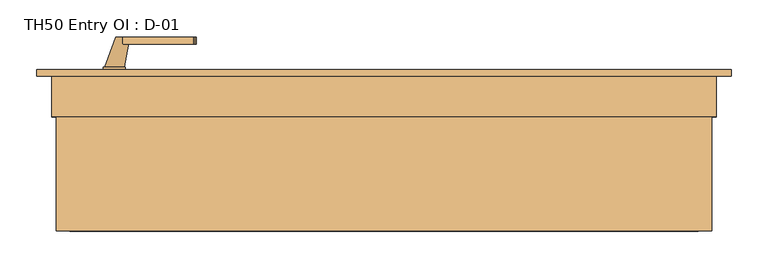
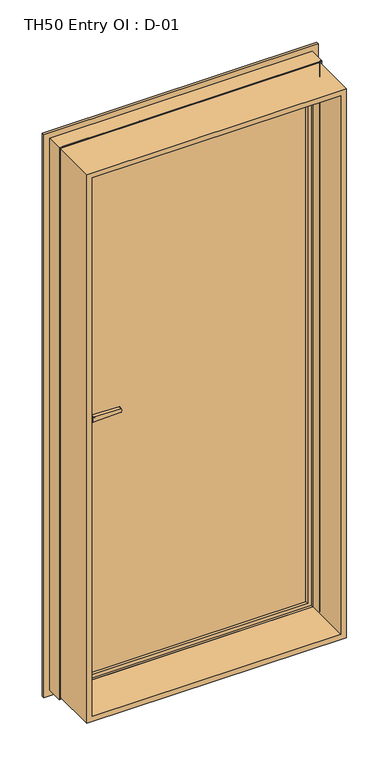
"""IFC4 building model written with IfcOpenShell, lengths in millimetres: door geometry, TH50 Entry OI : D-01."""

from ifc_helpers import new_model, si_unit, point, frame, frame_2d, origin, place, context, project, spatial, polyline, circle_curve, ellipse_curve, trimmed, segment, composite_curve, outline, extrude, source, transform, mapped, element, save
from ifc_brep_helpers import plane_surface, cylinder_surface, revolved_surface, spline_surface, advanced_brep


def th50_entry_oi_d_01_c9c91dcb(model_context):
    return source(origin(), model_context, "Body", "SolidModel", [
        extrude(outline(polyline([(1993.8, 443.8), (1993.8, -443.8), (6.2, -443.8), (6.2, 443.8), (1993.8, 443.8)]), holes=[polyline([(24.7, 425.3), (24.7, -425.3), (1975.3, -425.3), (1975.3, 425.3), (24.7, 425.3)])]), frame((0.0, -100.0, 0.0), z_axis=(0.0, 1.0, 0.0), x_axis=(0.0, 0.0, 1.0)), (0.0, 0.0, 1.0), 165.9999813),
        extrude(outline(composite_curve([segment(polyline([(895.7, -360.0), (908.3261365, -360.0)]), True, "CONTINUOUS"), segment(trimmed(circle_curve(frame_2d((915.2, -365.0)), 8.5), [point((908.3261365, -360.0))], [point((908.3261365, -370.0))], False, "CARTESIAN"), True, "CONTINUOUS"), segment(polyline([(908.3261365, -370.0), (895.7, -370.0)]), True, "CONTINUOUS"), segment(trimmed(circle_curve(frame_2d((895.7, -365.0)), 5.0), [point((895.7, -370.0))], [point((895.7, -360.0))], False, "CARTESIAN"), True, "CONTINUOUS")], self_intersect=False)), frame((0.0, 112.2000063, 0.0), z_axis=(0.0, 1.0, 0.0), x_axis=(0.0, 0.0, 1.0)), (0.0, 0.0, 1.0), 11.0),
        extrude(outline(composite_curve([segment(trimmed(circle_curve(frame_2d((956.1155661, -365.0)), 97.2636214), [point((860.0, -379.9))], [point((860.0, -350.1))], False, "CARTESIAN"), True, "CONTINUOUS"), segment(polyline([(860.0, -350.1), (1078.5, -350.1)]), True, "CONTINUOUS"), segment(trimmed(circle_curve(frame_2d((982.3844339, -365.0)), 97.2636214), [point((1078.5, -350.1))], [point((1078.5, -379.9))], False, "CARTESIAN"), True, "CONTINUOUS"), segment(polyline([(1078.5, -379.9), (860.0, -379.9)]), True, "CONTINUOUS")], self_intersect=False), holes=[composite_curve([segment(polyline([(895.7, -370.0), (908.3261365, -370.0)]), True, "CONTINUOUS"), segment(trimmed(circle_curve(frame_2d((915.2, -365.0)), 8.5), [point((908.3261365, -370.0))], [point((908.3261365, -360.0))], True, "CARTESIAN"), True, "CONTINUOUS"), segment(polyline([(908.3261365, -360.0), (895.7, -360.0)]), True, "CONTINUOUS"), segment(trimmed(circle_curve(frame_2d((895.7, -365.0)), 5.0), [point((895.7, -360.0))], [point((895.7, -370.0))], True, "CARTESIAN"), True, "CONTINUOUS")], self_intersect=False)]), frame((0.0, 112.2000063, 0.0), z_axis=(0.0, 1.0, 0.0), x_axis=(0.0, 0.0, 1.0)), (0.0, 0.0, 1.0), 10.0),
        extrude(outline(composite_curve([segment(polyline([(1009.5, -354.0), (990.5, -354.0), (993.0308731, -257.3498556)]), True, "CONTINUOUS"), segment(trimmed(circle_curve(frame_2d((995.0301877, -257.4022095)), 2.0), [point((993.0308731, -257.3498556))], [point((994.5125497, -255.4703579))], False, "CARTESIAN"), True, "CONTINUOUS"), segment(polyline([(994.5125497, -255.4703579), (1000.0, -254.0), (1005.4874503, -255.4703579)]), True, "CONTINUOUS"), segment(trimmed(circle_curve(frame_2d((1004.9698123, -257.4022095)), 2.0), [point((1005.4874503, -255.4703579))], [point((1006.9691269, -257.3498556))], False, "CARTESIAN"), True, "CONTINUOUS"), segment(polyline([(1006.9691269, -257.3498556), (1009.5, -354.0)]), True, "CONTINUOUS")], self_intersect=False)), frame((0.0, 153.2000063, 0.0), z_axis=(0.0, 1.0, 0.0), x_axis=(0.0, 0.0, 1.0)), (0.0, 0.0, 1.0), 10.0),
        advanced_brep(
        [(-363.5, 163.2000063, 1000.0), (-344.5, 163.2000063, 1000.0), (-378.4, 122.2000063, 1000.0), (-351.6, 122.2000063, 1000.0)],
        [
            (0, 1, circle_curve(frame((-354.0, 163.2000063, 1000.0), z_axis=(0.0, 1.0, 0.0), x_axis=(1.0, 0.0, 0.0)), 9.5)),
            (1, 0, circle_curve(frame((-354.0, 163.2000063, 1000.0), z_axis=(0.0, 1.0, 0.0), x_axis=(1.0, 0.0, 0.0)), 9.5)),
            (2, 3, circle_curve(frame((-365.0, 122.2000063, 1000.0), z_axis=(0.0, -1.0, 0.0), x_axis=(1.0, 0.0, 0.0)), 13.4)),
            (3, 2, circle_curve(frame((-365.0, 122.2000063, 1000.0), z_axis=(0.0, -1.0, 0.0), x_axis=(1.0, 0.0, 0.0)), 13.4)),
            (2, 0),
            (1, 3),
        ],
        [
            plane_surface(frame((-354.0, 163.2000063, 1000.0), z_axis=(0.0, 1.0, 0.0), x_axis=(0.0, 0.0, -1.0))),
            plane_surface(frame((-365.0, 122.2000063, 1000.0), z_axis=(0.0, -1.0, 0.0), x_axis=(0.0, 0.0, -1.0))),
            spline_surface(1, 2, [[(-378.4, 122.2000063, 1000.0), (-378.4, 122.2000063, 986.6), (-365.0, 122.2000063, 986.6), (-351.6, 122.2000063, 986.6), (-351.6, 122.2000063, 1000.0)], [(-363.5, 163.2000063, 1000.0), (-363.5, 163.2000063, 990.5), (-354.0, 163.2000063, 990.5), (-344.5, 163.2000063, 990.5), (-344.5, 163.2000063, 1000.0)]], [2, 2], [3, 2, 3], [0.0, 1.0], [0.0, 1.0, 2.0], weights=[[1.0, 0.7071067811865476, 1.0, 0.7071067811865476, 1.0], [1.0, 0.7071067811865476, 1.0, 0.7071067811865476, 1.0]]),
            spline_surface(1, 2, [[(-351.6, 122.2000063, 1000.0), (-351.6, 122.2000063, 1013.4), (-365.0, 122.2000063, 1013.4), (-378.4, 122.2000063, 1013.4), (-378.4, 122.2000063, 1000.0)], [(-344.5, 163.2000063, 1000.0), (-344.5, 163.2000063, 1009.5), (-354.0, 163.2000063, 1009.5), (-363.5, 163.2000063, 1009.5), (-363.5, 163.2000063, 1000.0)]], [2, 2], [3, 2, 3], [0.0, 1.0], [0.0, 1.0, 2.0], weights=[[1.0, 0.7071067811865476, 1.0, 0.7071067811865476, 1.0], [1.0, 0.7071067811865476, 1.0, 0.7071067811865476, 1.0]]),
        ],
        [
            (0, [[1, 2]]),
            (1, [[3, 4]]),
            (2, [[5, -2, 6, -3]]),
            (3, [[-6, -1, -5, -4]]),
        ],
    ),
        extrude(outline(composite_curve([segment(polyline([(895.7, -360.0), (908.3261365, -360.0)]), True, "CONTINUOUS"), segment(trimmed(circle_curve(frame_2d((915.2, -365.0)), 8.5), [point((908.3261365, -360.0))], [point((908.3261365, -370.0))], False, "CARTESIAN"), True, "CONTINUOUS"), segment(polyline([(908.3261365, -370.0), (895.7, -370.0)]), True, "CONTINUOUS"), segment(trimmed(circle_curve(frame_2d((895.7, -365.0)), 5.0), [point((895.7, -370.0))], [point((895.7, -360.0))], False, "CARTESIAN"), True, "CONTINUOUS")], self_intersect=False)), frame((0.0, 62.2000063, 0.0), z_axis=(0.0, 1.0, 0.0), x_axis=(0.0, 0.0, 1.0)), (0.0, 0.0, 1.0), 11.0),
        extrude(outline(composite_curve([segment(trimmed(circle_curve(frame_2d((956.1155661, -365.0)), 97.2636214), [point((860.0, -379.9))], [point((860.0, -350.1))], False, "CARTESIAN"), True, "CONTINUOUS"), segment(polyline([(860.0, -350.1), (1078.5, -350.1)]), True, "CONTINUOUS"), segment(trimmed(circle_curve(frame_2d((982.3844339, -365.0)), 97.2636214), [point((1078.5, -350.1))], [point((1078.5, -379.9))], False, "CARTESIAN"), True, "CONTINUOUS"), segment(polyline([(1078.5, -379.9), (860.0, -379.9)]), True, "CONTINUOUS")], self_intersect=False), holes=[composite_curve([segment(polyline([(895.7, -370.0), (908.3261365, -370.0)]), True, "CONTINUOUS"), segment(trimmed(circle_curve(frame_2d((915.2, -365.0)), 8.5), [point((908.3261365, -370.0))], [point((908.3261365, -360.0))], True, "CARTESIAN"), True, "CONTINUOUS"), segment(polyline([(908.3261365, -360.0), (895.7, -360.0)]), True, "CONTINUOUS"), segment(trimmed(circle_curve(frame_2d((895.7, -365.0)), 5.0), [point((895.7, -360.0))], [point((895.7, -370.0))], True, "CARTESIAN"), True, "CONTINUOUS")], self_intersect=False)]), frame((0.0, 63.2000063, 0.0), z_axis=(0.0, 1.0, 0.0), x_axis=(0.0, 0.0, 1.0)), (0.0, 0.0, 1.0), 10.0),
        extrude(outline(composite_curve([segment(polyline([(1009.5, -354.0), (990.5, -354.0), (993.0308731, -257.3498556)]), True, "CONTINUOUS"), segment(trimmed(circle_curve(frame_2d((995.0301877, -257.4022095)), 2.0), [point((993.0308731, -257.3498556))], [point((994.5125497, -255.4703579))], False, "CARTESIAN"), True, "CONTINUOUS"), segment(polyline([(994.5125497, -255.4703579), (1000.0, -254.0), (1005.4874503, -255.4703579)]), True, "CONTINUOUS"), segment(trimmed(circle_curve(frame_2d((1004.9698123, -257.4022095)), 2.0), [point((1005.4874503, -255.4703579))], [point((1006.9691269, -257.3498556))], False, "CARTESIAN"), True, "CONTINUOUS"), segment(polyline([(1006.9691269, -257.3498556), (1009.5, -354.0)]), True, "CONTINUOUS")], self_intersect=False)), frame((0.0, 22.2000063, 0.0), z_axis=(0.0, 1.0, 0.0), x_axis=(0.0, 0.0, 1.0)), (0.0, 0.0, 1.0), 10.0),
        advanced_brep(
        [(-363.5, 22.2000063, 1000.0), (-344.5, 22.2000063, 1000.0), (-378.4, 63.2000063, 1000.0), (-351.6, 63.2000063, 1000.0)],
        [
            (0, 1, circle_curve(frame((-354.0, 22.2000063, 1000.0), z_axis=(0.0, -1.0, 0.0), x_axis=(1.0, 0.0, 0.0)), 9.5)),
            (1, 0, circle_curve(frame((-354.0, 22.2000063, 1000.0), z_axis=(0.0, -1.0, 0.0), x_axis=(1.0, 0.0, 0.0)), 9.5)),
            (2, 3, circle_curve(frame((-365.0, 63.2000063, 1000.0), z_axis=(0.0, 1.0, 0.0), x_axis=(1.0, 0.0, 0.0)), 13.4)),
            (3, 2, circle_curve(frame((-365.0, 63.2000063, 1000.0), z_axis=(0.0, 1.0, 0.0), x_axis=(1.0, 0.0, 0.0)), 13.4)),
            (3, 1),
            (0, 2),
        ],
        [
            plane_surface(frame((-354.0, 22.2000063, 1000.0), z_axis=(0.0, -1.0, 0.0), x_axis=(0.0, 0.0, -1.0))),
            plane_surface(frame((-365.0, 63.2000063, 1000.0), z_axis=(0.0, 1.0, 0.0), x_axis=(0.0, 0.0, -1.0))),
            spline_surface(2, 1, [[(-378.4, 63.2000063, 1000.0), (-363.5, 22.2000063, 1000.0)], [(-378.4, 63.2000063, 986.6), (-363.5, 22.2000063, 990.5)], [(-365.0, 63.2000063, 986.6), (-354.0, 22.2000063, 990.5)], [(-351.6, 63.2000063, 986.6), (-344.5, 22.2000063, 990.5)], [(-351.6, 63.2000063, 1000.0), (-344.5, 22.2000063, 1000.0)]], [3, 2, 3], [2, 2], [0.0, 1.0, 2.0], [0.0, 1.0], weights=[[1.0, 1.0], [0.7071067811865476, 0.7071067811865476], [1.0, 1.0], [0.7071067811865476, 0.7071067811865476], [1.0, 1.0]]),
            spline_surface(2, 1, [[(-351.6, 63.2000063, 1000.0), (-344.5, 22.2000063, 1000.0)], [(-351.6, 63.2000063, 1013.4), (-344.5, 22.2000063, 1009.5)], [(-365.0, 63.2000063, 1013.4), (-354.0, 22.2000063, 1009.5)], [(-378.4, 63.2000063, 1013.4), (-363.5, 22.2000063, 1009.5)], [(-378.4, 63.2000063, 1000.0), (-363.5, 22.2000063, 1000.0)]], [3, 2, 3], [2, 2], [0.0, 1.0, 2.0], [0.0, 1.0], weights=[[1.0, 1.0], [0.7071067811865476, 0.7071067811865476], [1.0, 1.0], [0.7071067811865476, 0.7071067811865476], [1.0, 1.0]]),
        ],
        [
            (0, [[1, 2]]),
            (1, [[3, 4]]),
            (2, [[-4, 5, -1, 6]]),
            (3, [[-3, -6, -2, -5]]),
        ],
    ),
        extrude(outline(polyline([(404.0, 73.2000063), (-405.0, 73.2000063), (-405.0, 112.2000063), (404.0, 112.2000063), (404.0, 73.2000063)])), frame((0.0, 0.0, 45.0), z_axis=(0.0, 0.0, 1.0), x_axis=(1.0, 0.0, 0.0)), (0.0, 0.0, 1.0), 1910.0),
        advanced_brep(
        [(470.000038, 110.0, 2020.000038), (470.000038, 110.0, -20.000038), (470.000038, 118.9999375, -20.000038), (470.000038, 118.9999375, 2020.000038), (-470.000038, 118.9999375, 2020.000038), (-470.000038, 118.9999375, -20.000038), (390.0004584, 118.9999375, 1940.0004584), (-390.0004584, 118.9999375, 1940.0004584), (-390.0004584, 118.9999375, 59.9995416), (390.0004584, 118.9999375, 59.9995416), (-470.000038, 110.0, -20.000038), (-470.000038, 110.0, 2020.000038), (-450.0, 110.0, 2000.0), (450.0, 110.0, 2000.0), (450.0, 110.0, 0.0), (-450.0, 110.0, 0.0), (450.0, 54.8507969, 2000.0), (450.0, 54.8507969, 0.0), (-450.0, 54.8507969, 0.0), (445.0001465, 54.8506112, 1995.0001465), (445.0001465, 54.8506112, 4.9998535), (-445.0001465, 54.8506112, 4.9998535), (445.0001465, 56.5920405, 1995.0001465), (445.0001465, 56.5920405, 4.9998535), (-445.0001465, 56.5920405, 4.9998535), (443.8001794, 56.5908144, 1993.8001794), (443.8001794, 56.5908144, 6.1998206), (-443.8001794, 56.5908144, 6.1998206), (443.8001794, 65.9999813, 1993.8001794), (443.8001794, 65.9999813, 6.1998206), (-443.8001794, 65.9999813, 6.1998206), (-443.8001794, 65.9999813, 1993.8001794), (-424.2001794, 65.9999813, 1974.2001794), (424.2001794, 65.9999813, 1974.2001794), (424.2001794, 65.9999813, 25.7998206), (-424.2001794, 65.9999813, 25.7998206), (424.2001794, 61.9999728, 1974.2001794), (424.2001794, 61.9999728, 25.7998206), (-424.2001794, 61.9999728, 25.7998206), (-424.2001794, 61.9999728, 1974.2001794), (-422.6156704, 61.9999728, 1972.6156704), (422.6156704, 61.9999728, 1972.6156704), (422.6156704, 61.9999728, 27.3843296), (-422.6156704, 61.9999728, 27.3843296), (422.8755675, 68.9999299, 1972.8755675), (422.8755675, 68.9999299, 27.1244325), (-422.8755675, 68.9999299, 27.1244325), (-422.8755675, 68.9999299, 1972.8755675), (-410.0002274, 68.9999299, 1960.0002274), (410.0002274, 68.9999299, 1960.0002274), (410.0002274, 68.9999299, 39.9997726), (-410.0002274, 68.9999299, 39.9997726), (410.0002274, 115.4000063, 1960.0002274), (410.0002274, 115.4000063, 39.9997726), (-410.0002274, 115.4000063, 39.9997726), (-410.0002274, 115.4000063, 1960.0002274), (-390.0004584, 115.4000063, 1940.0004584), (390.0004584, 115.4000063, 1940.0004584), (390.0004584, 115.4000063, 59.9995416), (-390.0004584, 115.4000063, 59.9995416), (-450.0, 54.8507969, 2000.0), (-445.0001465, 54.8506112, 1995.0001465), (-445.0001465, 56.5920405, 1995.0001465), (-443.8001794, 56.5908144, 1993.8001794)],
        [
            (0, 1),
            (1, 2),
            (2, 3),
            (3, 0),
            (4, 3),
            (2, 5),
            (5, 4),
            (6, 7),
            (7, 8),
            (8, 9),
            (9, 6),
            (1, 10),
            (10, 5),
            (0, 11),
            (11, 10),
            (12, 13),
            (13, 14),
            (14, 15),
            (15, 12),
            (16, 17),
            (17, 14),
            (13, 16),
            (17, 18),
            (18, 15),
            (19, 20),
            (20, 17, ellipse_curve(frame((447.5001465, 52.8785929, 2.4998535), z_axis=(-0.7071067811865475, 0.0, -0.7071067811865475), x_axis=(0.7071067811865474, 0.0, -0.7071067811865476)), 4.5030781, 3.184157)),
            (16, 19, ellipse_curve(frame((447.5001465, 52.8785929, 1997.5001465), z_axis=(-0.7071067811865475, 0.0, 0.7071067811865475), x_axis=(-0.7071067811865474, 0.0, -0.7071067811865476)), 4.5030781, 3.184157)),
            (20, 21),
            (21, 18, ellipse_curve(frame((-447.5001465, 52.8785929, 2.4998535), z_axis=(-0.7071067811865475, 0.0, 0.7071067811865475), x_axis=(-0.7071067811865476, 0.0, -0.7071067811865474)), 4.5030781, 3.184157)),
            (22, 23),
            (23, 20),
            (19, 22),
            (23, 24),
            (24, 21),
            (25, 26),
            (26, 23, ellipse_curve(frame((444.4001534, 56.6007652, 5.5998466), z_axis=(0.7071067811865475, 0.0, 0.7071067811865475), x_axis=(-0.7071067811865474, 0.0, 0.7071067811865476)), 0.8486081, 0.6000566)),
            (22, 25, ellipse_curve(frame((444.4001534, 56.6007652, 1994.4001534), z_axis=(0.7071067811865475, 0.0, -0.7071067811865475), x_axis=(0.7071067811865474, 0.0, 0.7071067811865476)), 0.8486081, 0.6000566)),
            (26, 27),
            (27, 24, ellipse_curve(frame((-444.4001534, 56.6007652, 5.5998466), z_axis=(0.7071067811865475, 0.0, -0.7071067811865475), x_axis=(0.7071067811865476, 0.0, 0.7071067811865474)), 0.8486081, 0.6000566)),
            (28, 29),
            (29, 26),
            (25, 28),
            (29, 30),
            (30, 27),
            (28, 31),
            (31, 30),
            (32, 33),
            (33, 34),
            (34, 35),
            (35, 32),
            (36, 37),
            (37, 34),
            (33, 36),
            (37, 38),
            (38, 35),
            (36, 39),
            (39, 38),
            (40, 41),
            (41, 42),
            (42, 43),
            (43, 40),
            (44, 45),
            (45, 42),
            (41, 44),
            (45, 46),
            (46, 43),
            (44, 47),
            (47, 46),
            (48, 49),
            (49, 50),
            (50, 51),
            (51, 48),
            (52, 53),
            (53, 50),
            (49, 52),
            (53, 54),
            (54, 51),
            (52, 55),
            (55, 54),
            (56, 57),
            (57, 58),
            (58, 59),
            (59, 56),
            (9, 58),
            (57, 6),
            (8, 59),
            (11, 4),
            (18, 60),
            (60, 12),
            (21, 61),
            (61, 60, ellipse_curve(frame((-447.5001465, 52.8785929, 1997.5001465), z_axis=(0.7071067811865475, 0.0, 0.7071067811865475), x_axis=(-0.7071067811865474, 0.0, 0.7071067811865476)), 4.5030781, 3.184157)),
            (24, 62),
            (62, 61),
            (27, 63),
            (63, 62, ellipse_curve(frame((-444.4001534, 56.6007652, 1994.4001534), z_axis=(-0.7071067811865475, 0.0, -0.7071067811865475), x_axis=(0.7071067811865474, 0.0, -0.7071067811865476)), 0.8486081, 0.6000566)),
            (31, 63),
            (39, 32),
            (47, 40),
            (55, 48),
            (7, 56),
            (60, 16),
            (61, 19),
            (62, 22),
            (63, 25),
        ],
        [
            plane_surface(frame((470.000038, 118.9999375, 2020.000038), z_axis=(1.0, 0.0, 0.0), x_axis=(0.0, 0.0, -1.0))),
            plane_surface(frame((-390.0004584, 118.9999375, 59.9995416), z_axis=(0.0, 1.0, 0.0), x_axis=(0.0, 0.0, 1.0))),
            plane_surface(frame((470.000038, 118.9999375, -20.000038), z_axis=(0.0, 0.0, -1.0), x_axis=(-1.0, 0.0, 0.0))),
            plane_surface(frame((-470.000038, 110.0, -20.000038), z_axis=(0.0, -1.0, 0.0), x_axis=(0.0, 0.0, 1.0))),
            plane_surface(frame((450.0, 110.0, 2000.0), z_axis=(1.0, 0.0, 0.0), x_axis=(0.0, 0.0, -1.0))),
            plane_surface(frame((450.0, 110.0, 0.0), z_axis=(0.0, 0.0, -1.0), x_axis=(-1.0, 0.0, 0.0))),
            revolved_surface(polyline([(450.68430350000006, 52.8785929, -0.6843035607225829), (450.68430350000006, 52.8785929, 2000.6843035607226)]), (447.5001465, 52.8785929, 2000.0), (0.0, 0.0, -1.0)),
            revolved_surface(polyline([(-450.6843035607227, 52.8785929, -0.6843035), (450.68430356072264, 52.8785929, -0.6843035)]), (450.0, 52.8785929, 2.4998535), (-1.0, 0.0, 0.0)),
            plane_surface(frame((445.0001465, 54.8506112, 1995.0001465), z_axis=(-1.0, 0.0, 0.0), x_axis=(0.0, 0.0, -1.0))),
            plane_surface(frame((445.0001465, 54.8506112, 4.9998535), z_axis=(0.0, 0.0, 1.0), x_axis=(-1.0, 0.0, 0.0))),
            cylinder_surface(frame((444.4001534, 56.6007652, 2000.0), z_axis=(0.0, 0.0, 1.0), x_axis=(1.0, 0.0, 0.0)), 0.6000566),
            cylinder_surface(frame((450.0, 56.6007652, 5.5998466), z_axis=(1.0, 0.0, 0.0), x_axis=(0.0, 0.0, -1.0)), 0.6000566),
            plane_surface(frame((443.8001794, 56.5908144, 1993.8001794), z_axis=(-1.0, 0.0, 0.0), x_axis=(0.0, 0.0, -1.0))),
            plane_surface(frame((443.8001794, 56.5908144, 6.1998206), z_axis=(0.0, 0.0, 1.0), x_axis=(-1.0, 0.0, 0.0))),
            plane_surface(frame((-443.8001794, 65.9999813, 6.1998206), z_axis=(0.0, -1.0, 0.0), x_axis=(0.0, 0.0, 1.0))),
            plane_surface(frame((424.2001794, 65.9999813, 1974.2001794), z_axis=(1.0, 0.0, 0.0), x_axis=(0.0, 0.0, -1.0))),
            plane_surface(frame((424.2001794, 65.9999813, 25.7998206), z_axis=(0.0, 0.0, -1.0), x_axis=(-1.0, 0.0, 0.0))),
            plane_surface(frame((-424.2001794, 61.9999728, 25.7998206), z_axis=(0.0, -1.0, 0.0), x_axis=(0.0, 0.0, 1.0))),
            plane_surface(frame((422.6156704, 61.9999728, 1972.6156704), z_axis=(-0.9993114533203381, 0.03710282014609819, 0.0), x_axis=(0.0, 0.0, -1.0))),
            plane_surface(frame((422.6156704, 61.9999728, 27.3843296), z_axis=(0.0, 0.03710282014609207, 0.9993114533203383), x_axis=(-1.0, 0.0, 0.0))),
            plane_surface(frame((-422.8755675, 68.9999299, 27.1244325), z_axis=(0.0, -1.0, 0.0), x_axis=(0.0, 0.0, 1.0))),
            plane_surface(frame((410.0002274, 68.9999299, 1960.0002274), z_axis=(-1.0, 0.0, 0.0), x_axis=(0.0, 0.0, -1.0))),
            plane_surface(frame((410.0002274, 68.9999299, 39.9997726), z_axis=(0.0, 0.0, 1.0), x_axis=(-1.0, 0.0, 0.0))),
            plane_surface(frame((-410.0002274, 115.4000063, 39.9997726), z_axis=(0.0, -1.0, 0.0), x_axis=(0.0, 0.0, 1.0))),
            plane_surface(frame((390.0004584, 115.4000063, 1940.0004584), z_axis=(-1.0, 0.0, 0.0), x_axis=(0.0, 0.0, -1.0))),
            plane_surface(frame((390.0004584, 115.4000063, 59.9995416), z_axis=(0.0, 0.0, 1.0), x_axis=(-1.0, 0.0, 0.0))),
            plane_surface(frame((-470.000038, 118.9999375, -20.000038), z_axis=(-1.0, 0.0, 0.0), x_axis=(0.0, 0.0, 1.0))),
            plane_surface(frame((-450.0, 110.0, 0.0), z_axis=(-1.0, 0.0, 0.0), x_axis=(0.0, 0.0, 1.0))),
            revolved_surface(polyline([(-450.68430350000006, 52.8785929, 2000.6843035607226), (-450.68430350000006, 52.8785929, -0.6843035607226331)]), (-447.5001465, 52.8785929, 0.0), (0.0, 0.0, 1.0)),
            plane_surface(frame((-445.0001465, 54.8506112, 4.9998535), z_axis=(1.0, 0.0, 0.0), x_axis=(0.0, 0.0, 1.0))),
            cylinder_surface(frame((-444.4001534, 56.6007652, 0.0), z_axis=(0.0, 0.0, -1.0), x_axis=(-1.0, 0.0, 0.0)), 0.6000566),
            plane_surface(frame((-443.8001794, 56.5908144, 6.1998206), z_axis=(1.0, 0.0, 0.0), x_axis=(0.0, 0.0, 1.0))),
            plane_surface(frame((-424.2001794, 65.9999813, 25.7998206), z_axis=(-1.0, 0.0, 0.0), x_axis=(0.0, 0.0, 1.0))),
            plane_surface(frame((-422.6156704, 61.9999728, 27.3843296), z_axis=(0.9993114533203387, 0.03710282014608596, 0.0), x_axis=(0.0, 0.0, 1.0))),
            plane_surface(frame((-410.0002274, 68.9999299, 39.9997726), z_axis=(1.0, 0.0, 0.0), x_axis=(0.0, 0.0, 1.0))),
            plane_surface(frame((-390.0004584, 115.4000063, 59.9995416), z_axis=(1.0, 0.0, 0.0), x_axis=(0.0, 0.0, 1.0))),
            plane_surface(frame((-470.000038, 118.9999375, 2020.000038), z_axis=(0.0, 0.0, 1.0), x_axis=(1.0, 0.0, 0.0))),
            plane_surface(frame((-450.0, 110.0, 2000.0), z_axis=(0.0, 0.0, 1.0), x_axis=(1.0, 0.0, 0.0))),
            revolved_surface(polyline([(450.6843035607227, 52.8785929, 2000.6843035), (-450.68430356072264, 52.8785929, 2000.6843035)]), (-450.0, 52.8785929, 1997.5001465), (1.0, 0.0, 0.0)),
            plane_surface(frame((-445.0001465, 54.8506112, 1995.0001465), z_axis=(0.0, 0.0, -1.0), x_axis=(1.0, 0.0, 0.0))),
            cylinder_surface(frame((-450.0, 56.6007652, 1994.4001534), z_axis=(-1.0, 0.0, 0.0), x_axis=(0.0, 0.0, 1.0)), 0.6000566),
            plane_surface(frame((-443.8001794, 56.5908144, 1993.8001794), z_axis=(0.0, 0.0, -1.0), x_axis=(1.0, 0.0, 0.0))),
            plane_surface(frame((-424.2001794, 65.9999813, 1974.2001794), z_axis=(0.0, 0.0, 1.0), x_axis=(1.0, 0.0, 0.0))),
            plane_surface(frame((-422.6156704, 61.9999728, 1972.6156704), z_axis=(0.0, 0.03710282014609207, -0.9993114533203383), x_axis=(1.0, 0.0, 0.0))),
            plane_surface(frame((-410.0002274, 68.9999299, 1960.0002274), z_axis=(0.0, 0.0, -1.0), x_axis=(1.0, 0.0, 0.0))),
            plane_surface(frame((-390.0004584, 115.4000063, 1940.0004584), z_axis=(0.0, 0.0, -1.0), x_axis=(1.0, 0.0, 0.0))),
        ],
        [
            (0, [[1, 2, 3, 4]]),
            (1, [[5, -3, 6, 7], [8, 9, 10, 11]]),
            (2, [[12, 13, -6, -2]]),
            (3, [[14, 15, -12, -1], [16, 17, 18, 19]]),
            (4, [[20, 21, -17, 22]]),
            (5, [[23, 24, -18, -21]]),
            (6, [[25, 26, -20, 27]]),
            (7, [[28, 29, -23, -26]]),
            (8, [[30, 31, -25, 32]]),
            (9, [[33, 34, -28, -31]]),
            (10, [[35, 36, -30, 37]]),
            (11, [[38, 39, -33, -36]]),
            (12, [[40, 41, -35, 42]]),
            (13, [[43, 44, -38, -41]]),
            (14, [[45, 46, -43, -40], [47, 48, 49, 50]]),
            (15, [[51, 52, -48, 53]]),
            (16, [[54, 55, -49, -52]]),
            (17, [[56, 57, -54, -51], [58, 59, 60, 61]]),
            (18, [[62, 63, -59, 64]]),
            (19, [[65, 66, -60, -63]]),
            (20, [[67, 68, -65, -62], [69, 70, 71, 72]]),
            (21, [[73, 74, -70, 75]]),
            (22, [[76, 77, -71, -74]]),
            (23, [[78, 79, -76, -73], [80, 81, 82, 83]]),
            (24, [[-11, 84, -81, 85]]),
            (25, [[-10, 86, -82, -84]]),
            (26, [[-15, 87, -7, -13]]),
            (27, [[88, 89, -19, -24]]),
            (28, [[90, 91, -88, -29]]),
            (29, [[92, 93, -90, -34]]),
            (30, [[94, 95, -92, -39]]),
            (31, [[-46, 96, -94, -44]]),
            (32, [[-57, 97, -50, -55]]),
            (33, [[-68, 98, -61, -66]]),
            (34, [[-79, 99, -72, -77]]),
            (35, [[-9, 100, -83, -86]]),
            (36, [[-14, -4, -5, -87]]),
            (37, [[101, -22, -16, -89]]),
            (38, [[102, -27, -101, -91]]),
            (39, [[103, -32, -102, -93]]),
            (40, [[104, -37, -103, -95]]),
            (41, [[-45, -42, -104, -96]]),
            (42, [[-56, -53, -47, -97]]),
            (43, [[-67, -64, -58, -98]]),
            (44, [[-78, -75, -69, -99]]),
            (45, [[-8, -85, -80, -100]]),
        ],
    ),
    ])


if __name__ == "__main__":
    model = new_model("IFC4")
    model_context = context("Model", 3, world=origin())
    ifc_project = project(units=[si_unit("LENGTHUNIT", "METRE", prefix="MILLI")], contexts=[model_context])
    site = spatial("IfcSite", under=ifc_project)
    building = spatial("IfcBuilding", under=site)
    placement = place(None, origin())
    th50_entry_oi_d_01_shape = th50_entry_oi_d_01_c9c91dcb(model_context)
    element("IfcDoor", 1, ObjectType="TH50 Entry OI : D-01", at=placement, inside=building, context=model_context, shape_type="MappedRepresentation", body=[
        mapped(th50_entry_oi_d_01_shape, transform((0.0, 0.0, 0.0), x_axis=(1.0, 0.0, 0.0), y_axis=(0.0, 1.0, 0.0), z_axis=(0.0, 0.0, 1.0))),
    ])
    save(model, "model.ifc")
